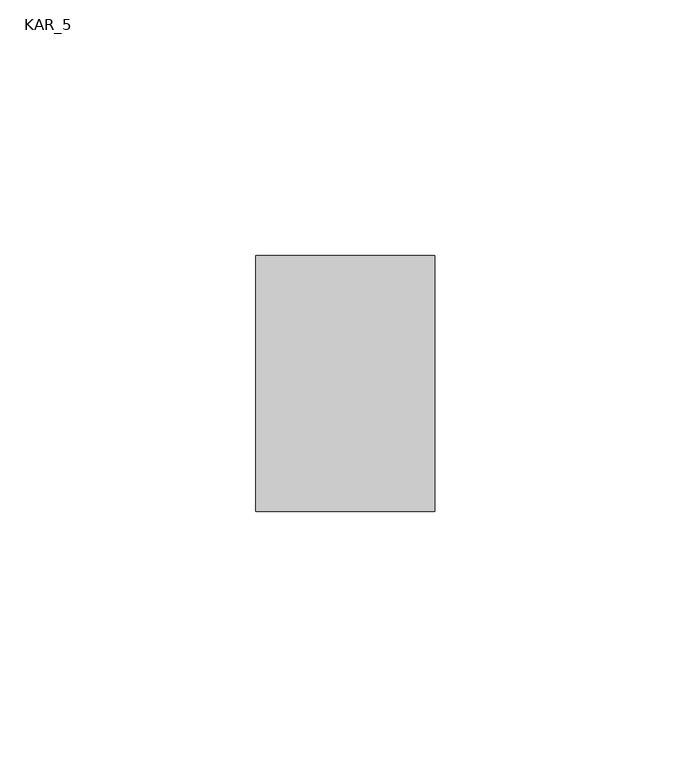
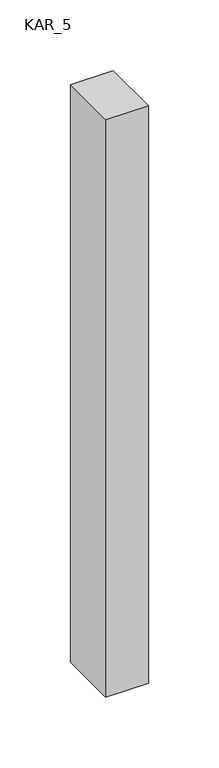
"""IFC4 building model written with IfcOpenShell, lengths in millimetres: proxy geometry, KAR_5."""

from ifc_helpers import new_model, si_unit, frame, origin, place, context, project, spatial, polyline, outline, extrude, source, transform, mapped, element, save


def kar_5_0292f854(model_context):
    return source(origin(), model_context, "Body", "SweptSolid", [
        extrude(outline(polyline([(35.0, 50.0), (35.0, 0.0), (0.0, 0.0), (0.0, 50.0), (35.0, 50.0)])), frame((0.0, 0.0, 1400.0), z_axis=(0.0, 0.0, 1.0), x_axis=(1.0, 0.0, 0.0)), (0.0, 0.0, 1.0), 500.0),
    ])


if __name__ == "__main__":
    model = new_model("IFC4")
    model_context = context("Model", 3, world=origin())
    ifc_project = project(units=[si_unit("LENGTHUNIT", "METRE", prefix="MILLI")], contexts=[model_context])
    site = spatial("IfcSite", under=ifc_project)
    building = spatial("IfcBuilding", under=site)
    placement = place(None, origin())
    kar_5_shape = kar_5_0292f854(model_context)
    element("IfcBuildingElementProxy", 1, Name="KAR_5", ObjectType="KAR_5", at=placement, inside=building, context=model_context, shape_type="MappedRepresentation", body=[
        mapped(kar_5_shape, transform((0.0, 0.0, 0.0), x_axis=(1.0, 0.0, 0.0), y_axis=(0.0, 1.0, 0.0), z_axis=(0.0, 0.0, 1.0))),
    ])
    save(model, "model.ifc")
